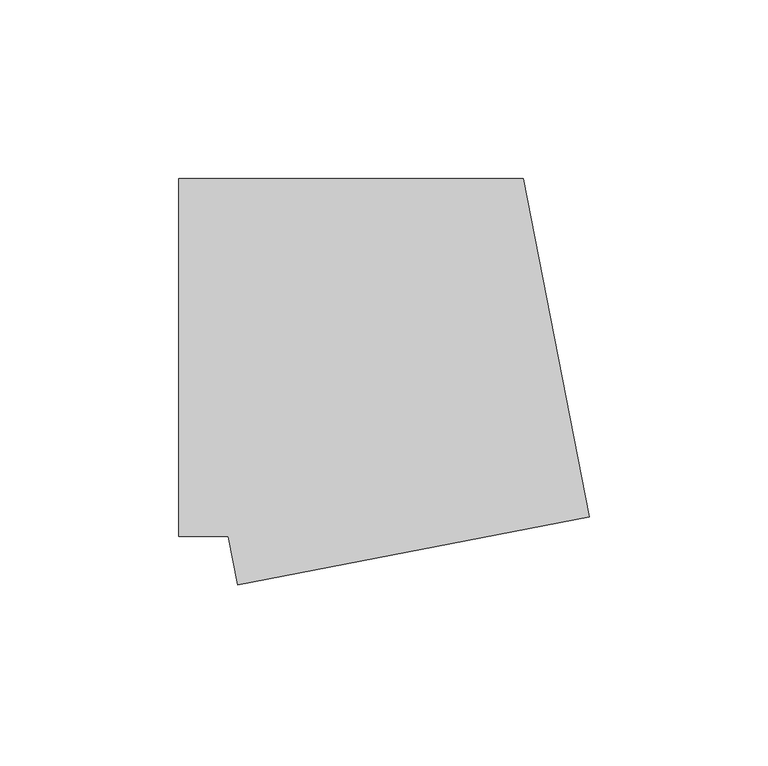
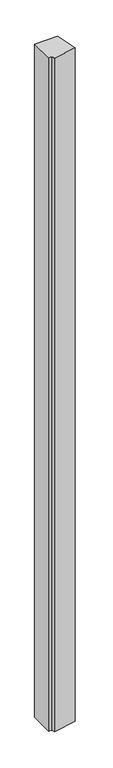
"""IFC4 building model written with IfcOpenShell, lengths in millimetres: member geometry."""

from ifc_helpers import new_model, si_unit, frame, origin, place, context, project, spatial, polyline, outline, extrude, source, transform, mapped, element, save


def member_83400c13(model_context):
    return source(origin(), model_context, "Body", "SweptSolid", [
        extrude(outline(polyline([(-38.5868644, -63.5299449), (-41.2168193, -50.0), (-55.0, -50.0), (-55.0, 50.0), (41.2168193, 50.0), (59.5758539, -44.4490453), (-38.5868644, -63.5299449)])), frame((0.0, 0.0, -2966.9289604), z_axis=(0.0, 0.0, 1.0), x_axis=(1.0, 0.0, 0.0)), (0.0, 0.0, 1.0), 2966.9289604),
    ])


if __name__ == "__main__":
    model = new_model("IFC4")
    model_context = context("Model", 3, world=origin())
    ifc_project = project(units=[si_unit("LENGTHUNIT", "METRE", prefix="MILLI")], contexts=[model_context])
    site = spatial("IfcSite", under=ifc_project)
    building = spatial("IfcBuilding", under=site)
    placement = place(None, origin())
    member_shape = member_83400c13(model_context)
    element("IfcMember", 1, at=placement, inside=building, context=model_context, shape_type="MappedRepresentation", body=[
        mapped(member_shape, transform((0.0, 0.0, 0.0), x_axis=(1.0, 0.0, 0.0), y_axis=(0.0, 1.0, 0.0), z_axis=(0.0, 0.0, 1.0))),
    ])
    save(model, "model.ifc")
